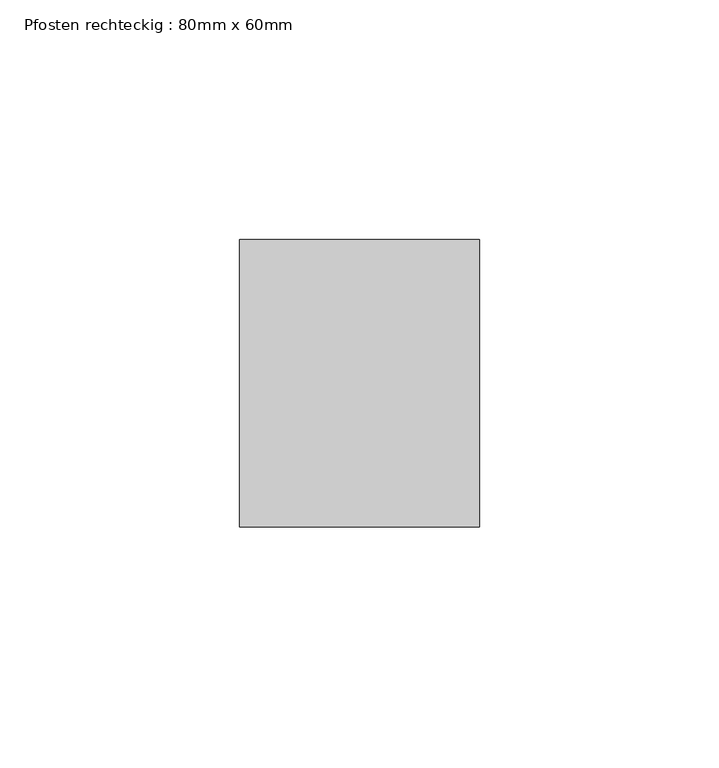
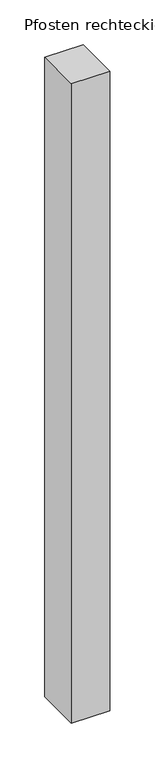
"""IFC4 building model written with IfcOpenShell, lengths in millimetres: member geometry, Pfosten rechteckig : 80mm x 60mm."""

from ifc_helpers import new_model, si_unit, frame, origin, place, context, project, spatial, polyline, outline, extrude, source, transform, mapped, element, save


def pfosten_rechteckig_80mm_x_60mm_99c2120a(model_context):
    return source(origin(), model_context, "Body", "SweptSolid", [
        extrude(outline(polyline([(25.0, 30.0), (25.0, -30.0), (-25.0, -30.0), (-25.0, 30.0), (25.0, 30.0)])), frame((0.0, 0.0, -875.0), z_axis=(0.0, 0.0, 1.0), x_axis=(1.0, 0.0, 0.0)), (0.0, 0.0, 1.0), 875.0),
    ])


if __name__ == "__main__":
    model = new_model("IFC4")
    model_context = context("Model", 3, world=origin())
    ifc_project = project(units=[si_unit("LENGTHUNIT", "METRE", prefix="MILLI")], contexts=[model_context])
    site = spatial("IfcSite", under=ifc_project)
    building = spatial("IfcBuilding", under=site)
    placement = place(None, origin())
    pfosten_rechteckig_80mm_x_60mm_shape = pfosten_rechteckig_80mm_x_60mm_99c2120a(model_context)
    element("IfcMember", 1, ObjectType="Pfosten rechteckig : 80mm x 60mm", at=placement, inside=building, context=model_context, shape_type="MappedRepresentation", body=[
        mapped(pfosten_rechteckig_80mm_x_60mm_shape, transform((0.0, 0.0, 0.0), x_axis=(1.0, 0.0, 0.0), y_axis=(0.0, 1.0, 0.0), z_axis=(0.0, 0.0, 1.0))),
    ])
    save(model, "model.ifc")
